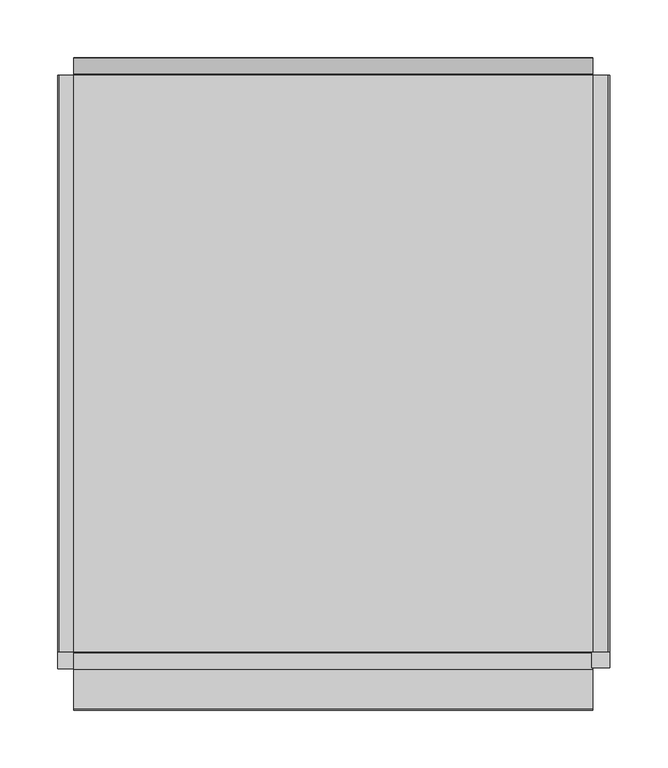
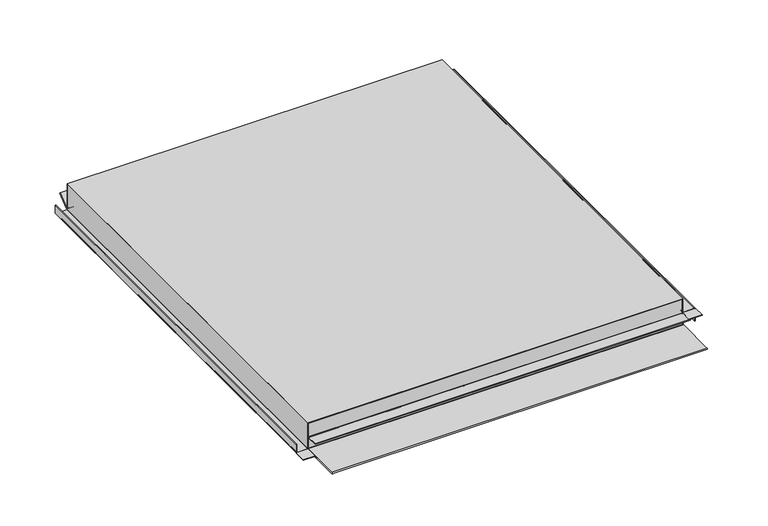
"""IFC4 building model written with IfcOpenShell, lengths in millimetres: proxy geometry."""

from ifc_helpers import new_model, si_unit, point, frame, frame_2d, origin, place, context, project, spatial, polyline, circle_curve, trimmed, segment, composite_curve, outline, extrude, faceted_brep, source, transform, mapped, element, save
from ifc_brep_helpers import plane_surface, cylinder_surface, revolved_surface, advanced_brep


def generic_models_071631cf(model_context):
    return source(origin(), model_context, "Body", "SolidModel", [
        extrude(outline(composite_curve([segment(polyline([(0.33125, -237.7), (0.33125, -225.5)]), True, "CONTINUOUS"), segment(trimmed(circle_curve(frame_2d((1.63125, -225.5)), 1.3), [point((0.33125, -225.5))], [point((1.63125, -224.2))], False, "CARTESIAN"), True, "CONTINUOUS"), segment(polyline([(1.63125, -224.2), (33.33125, -224.2), (33.33125, -225.0), (1.63125, -225.0)]), True, "CONTINUOUS"), segment(trimmed(circle_curve(frame_2d((1.63125, -225.5)), 0.5), [point((1.63125, -225.0))], [point((1.13125, -225.5))], True, "CARTESIAN"), True, "CONTINUOUS"), segment(polyline([(1.13125, -225.5), (1.13125, -237.7)]), True, "CONTINUOUS"), segment(trimmed(circle_curve(frame_2d((1.63125, -237.7)), 0.5), [point((1.13125, -237.7))], [point((1.63125, -238.2))], True, "CARTESIAN"), True, "CONTINUOUS"), segment(polyline([(1.63125, -238.2), (11.33125, -238.2), (11.33125, -239.0), (1.63125, -239.0)]), True, "CONTINUOUS"), segment(trimmed(circle_curve(frame_2d((1.63125, -237.7)), 1.3), [point((1.63125, -239.0))], [point((0.33125, -237.7))], False, "CARTESIAN"), True, "CONTINUOUS")], self_intersect=False)), frame((0.0, -250.0, 0.0), z_axis=(0.0, 1.0, 0.0), x_axis=(0.0, 0.0, 1.0)), (0.0, 0.0, 1.0), 500.0),
        extrude(outline(polyline([(-239.0, -265.0), (-239.0, -250.0), (-224.2, -250.0), (-224.2, -265.0), (-239.0, -265.0)])), frame((0.0, 0.0, 0.33125), z_axis=(0.0, 0.0, 1.0), x_axis=(1.0, 0.0, 0.0)), (0.0, 0.0, 1.0), 0.8),
        extrude(outline(composite_curve([segment(polyline([(15.9, 225.5), (15.9, 238.7)]), True, "CONTINUOUS"), segment(trimmed(circle_curve(frame_2d((15.4, 238.7)), 0.5), [point((15.9, 238.7))], [point((15.4, 239.2))], True, "CARTESIAN"), True, "CONTINUOUS"), segment(polyline([(15.4, 239.2), (0.33125, 239.2), (0.33125, 240.0), (15.4, 240.0)]), True, "CONTINUOUS"), segment(trimmed(circle_curve(frame_2d((15.4, 238.7)), 1.3), [point((15.4, 240.0))], [point((16.7, 238.7))], False, "CARTESIAN"), True, "CONTINUOUS"), segment(polyline([(16.7, 238.7), (16.7, 225.5)]), True, "CONTINUOUS"), segment(trimmed(circle_curve(frame_2d((17.2, 225.5)), 0.5), [point((16.7, 225.5))], [point((17.2, 225.0))], True, "CARTESIAN"), True, "CONTINUOUS"), segment(polyline([(17.2, 225.0), (33.33125, 225.0), (33.33125, 224.2), (17.2, 224.2)]), True, "CONTINUOUS"), segment(trimmed(circle_curve(frame_2d((17.2, 225.5)), 1.3), [point((17.2, 224.2))], [point((15.9, 225.5))], False, "CARTESIAN"), True, "CONTINUOUS")], self_intersect=False)), frame((0.0, -250.0, 0.0), z_axis=(0.0, 1.0, 0.0), x_axis=(0.0, 0.0, 1.0)), (0.0, 0.0, 1.0), 500.0),
        extrude(outline(polyline([(240.0, -264.0), (224.2, -264.0), (224.2, -250.0), (240.0, -250.0), (240.0, -264.0)])), frame((0.0, 0.0, 15.9), z_axis=(0.0, 0.0, 1.0), x_axis=(1.0, 0.0, 0.0)), (0.0, 0.0, 1.0), 0.8),
        extrude(outline(composite_curve([segment(polyline([(-250.5, 0.0), (-300.15, 0.0)]), True, "CONTINUOUS"), segment(trimmed(circle_curve(frame_2d((-300.15, 0.85)), 0.85), [point((-300.15, 0.0))], [point((-300.15, 1.7))], False, "CARTESIAN"), True, "CONTINUOUS"), segment(polyline([(-300.15, 1.7), (-251.55, 1.7)]), True, "CONTINUOUS"), segment(trimmed(circle_curve(frame_2d((-251.55, 2.2)), 0.5), [point((-251.55, 1.7))], [point((-251.05, 2.2))], True, "CARTESIAN"), True, "CONTINUOUS"), segment(polyline([(-251.05, 2.2), (-251.05, 15.4)]), True, "CONTINUOUS"), segment(trimmed(circle_curve(frame_2d((-251.55, 15.4)), 0.5), [point((-251.05, 15.4))], [point((-251.55, 15.9))], True, "CARTESIAN"), True, "CONTINUOUS"), segment(polyline([(-251.55, 15.9), (-265.25, 15.9), (-265.25, 16.7), (-251.55, 16.7)]), True, "CONTINUOUS"), segment(trimmed(circle_curve(frame_2d((-251.55, 15.4)), 1.3), [point((-251.55, 16.7))], [point((-250.25, 15.4))], False, "CARTESIAN"), True, "CONTINUOUS"), segment(polyline([(-250.25, 15.4), (-250.25, 2.2)]), True, "CONTINUOUS"), segment(trimmed(circle_curve(frame_2d((-251.55, 2.2)), 1.3), [point((-250.25, 2.2))], [point((-251.55, 0.9))], False, "CARTESIAN"), True, "CONTINUOUS"), segment(polyline([(-251.55, 0.9), (-290.65, 0.9), (-250.5, 0.8)]), True, "CONTINUOUS"), segment(trimmed(circle_curve(frame_2d((-250.5, 1.3)), 0.5), [point((-250.5, 0.8))], [point((-250.0, 1.3))], True, "CARTESIAN"), True, "CONTINUOUS"), segment(polyline([(-250.0, 1.3), (-250.0, 33.0), (-249.2, 33.0), (-249.2, 1.3)]), True, "CONTINUOUS"), segment(trimmed(circle_curve(frame_2d((-250.5, 1.3)), 1.3), [point((-249.2, 1.3))], [point((-250.5, 0.0))], False, "CARTESIAN"), True, "CONTINUOUS")], self_intersect=False)), frame((-225.0, 0.0, 0.0), z_axis=(1.0, 0.0, 0.0), x_axis=(0.0, 1.0, 0.0)), (0.0, 0.0, 1.0), 450.0),
        advanced_brep(
        [(225.0, 250.0, 33.0), (-225.0, 250.0, 33.0), (-225.0, 249.2, 33.0), (225.0, 249.2, 33.0), (225.0, 250.0, 3.3), (225.0, 249.2, 3.3), (225.0, 251.4200663, 2.3815894), (225.0, 265.1302674, 12.712967), (225.0, 264.6488154, 13.3518754), (225.0, 250.8830222, 2.9786062), (-225.0, 250.0, 3.3), (-225.0, 250.8830222, 2.9786062), (-225.0, 264.6488154, 13.3518754), (-225.0, 265.1302674, 12.712967), (-225.0, 251.3644742, 2.3396978), (-225.0, 249.2, 3.3)],
        [
            (0, 1),
            (1, 2),
            (2, 3),
            (3, 0),
            (4, 0),
            (3, 5),
            (5, 6, circle_curve(frame((225.0, 250.5, 3.3), z_axis=(1.0, 0.0, 0.0), x_axis=(0.0, 1.0, 0.0)), 1.3)),
            (6, 7),
            (7, 8),
            (8, 9),
            (9, 4, circle_curve(frame((225.0, 250.5, 3.3), z_axis=(-1.0, 0.0, 0.0), x_axis=(0.0, 1.0, 0.0)), 0.5)),
            (10, 11, circle_curve(frame((-225.0, 250.5, 3.3), z_axis=(1.0, 0.0, 0.0), x_axis=(0.0, 1.0, 0.0)), 0.5)),
            (11, 12),
            (12, 13),
            (13, 14),
            (14, 15, circle_curve(frame((-225.0, 250.5, 3.3), z_axis=(-1.0, 0.0, 0.0), x_axis=(0.0, 1.0, 0.0)), 1.3)),
            (15, 2),
            (1, 10),
            (4, 10),
            (9, 11),
            (8, 12),
            (5, 15),
            (14, 6),
            (7, 13),
        ],
        [
            plane_surface(frame((225.0, 249.2, 33.0), z_axis=(0.0, 0.0, 1.0), x_axis=(-1.0, 0.0, 0.0))),
            plane_surface(frame((225.0, 251.0, 3.3), z_axis=(1.0, 0.0, 0.0), x_axis=(0.0, 0.0, 1.0))),
            plane_surface(frame((-225.0, 251.0, 3.3), z_axis=(-1.0, 0.0, 0.0), x_axis=(0.0, 0.0, -1.0))),
            plane_surface(frame((225.0, 250.0, 33.0), z_axis=(0.0, 1.0, 0.0), x_axis=(-1.0, 0.0, 0.0))),
            revolved_surface(polyline([(-225.0, 251.0, 3.3), (225.0, 251.0, 3.3)]), (-225.0, 250.5, 3.3), (-1.0, 0.0, 0.0)),
            plane_surface(frame((225.0, 250.8830222, 2.9786062), z_axis=(0.0, -0.6018150231519699, 0.798635510047352), x_axis=(-1.0, 0.0, 0.0))),
            cylinder_surface(frame((-225.0, 250.5, 3.3), z_axis=(1.0, 0.0, 0.0), x_axis=(0.0, 1.0, 0.0)), 1.3),
            plane_surface(frame((225.0, 249.2, 3.3), z_axis=(0.0, -1.0, 0.0), x_axis=(-1.0, 0.0, 0.0))),
            plane_surface(frame((225.0, 264.6488154, 13.3518754), z_axis=(0.0, 0.798635510047358, 0.6018150231519618), x_axis=(-1.0, 0.0, 0.0))),
            plane_surface(frame((225.0, 265.1302674, 12.712967), z_axis=(0.0, 0.6018150231519698, -0.798635510047352), x_axis=(-1.0, 0.0, 0.0))),
        ],
        [
            (0, [[1, 2, 3, 4]]),
            (1, [[5, -4, 6, 7, 8, 9, 10, 11]]),
            (2, [[12, 13, 14, 15, 16, 17, -2, 18]]),
            (3, [[19, -18, -1, -5]]),
            (4, [[20, -12, -19, -11]]),
            (5, [[21, -13, -20, -10]]),
            (6, [[22, -16, 23, -7]]),
            (7, [[-3, -17, -22, -6]]),
            (8, [[24, -14, -21, -9]]),
            (9, [[-23, -15, -24, -8]]),
        ],
    ),
        faceted_brep([(-225.0, -250.0, 34.0), (225.0, -250.0, 34.0), (225.0, 250.0, 34.0), (-225.0, 250.0, 34.0), (-225.0, -250.0, 33.0), (-225.0, -249.2, 33.0), (-225.0, 250.0, 33.0), (225.0, 250.0, 33.0), (225.0, -249.2, 33.0), (225.0, -250.0, 33.0)], [[[0, 1, 2, 3]], [[4, 5, 6, 7, 8, 9]], [[3, 6, 5, 4, 0]], [[2, 7, 6, 3]], [[1, 9, 8, 7, 2]], [[0, 4, 9, 1]]]),
    ])


if __name__ == "__main__":
    model = new_model("IFC4")
    model_context = context("Model", 3, world=origin())
    ifc_project = project(units=[si_unit("LENGTHUNIT", "METRE", prefix="MILLI")], contexts=[model_context])
    site = spatial("IfcSite", under=ifc_project)
    building = spatial("IfcBuilding", under=site)
    placement = place(None, origin())
    generic_models_shape = generic_models_071631cf(model_context)
    element("IfcBuildingElementProxy", 1, Name="Generic Models", at=placement, inside=building, context=model_context, shape_type="MappedRepresentation", body=[
        mapped(generic_models_shape, transform((0.0, 0.0, 0.0), x_axis=(1.0, 0.0, 0.0), y_axis=(0.0, 1.0, 0.0), z_axis=(0.0, 0.0, 1.0))),
    ])
    save(model, "model.ifc")
